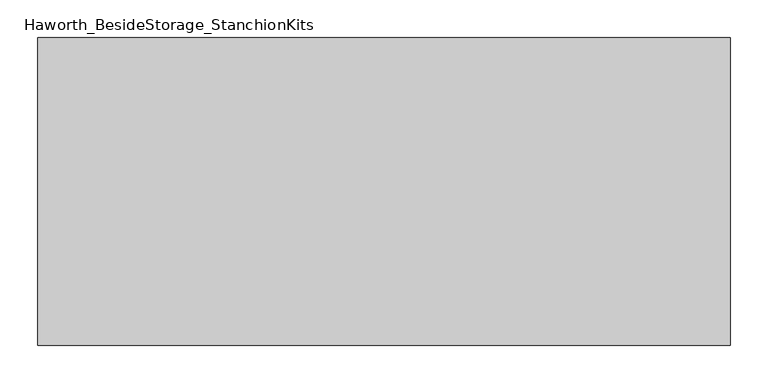
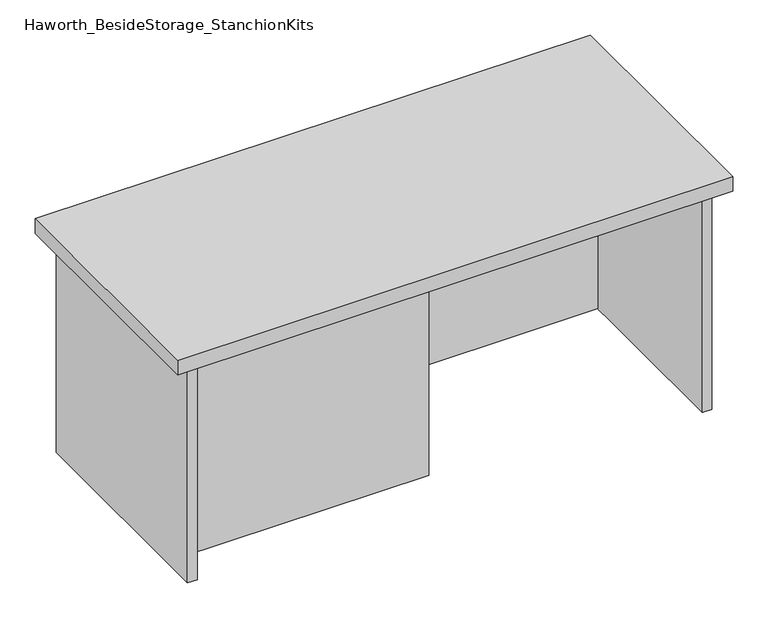
"""IFC4 building model written with IfcOpenShell, lengths in millimetres: furniture geometry, Haworth_BesideStorage_StanchionKits."""

import ifcopenshell
import ifcopenshell.guid

model = None  # the IFC model being written
_history = None  # IfcOwnerHistory: only IFC2X3 demands one
_inside = {}  # id of a spatial element -> (the spatial element, [elements in it])
_under = {}  # id of a project, library or spatial element -> (it, [spatial elements below it])
_declared = {}  # id of a project -> (the project, [libraries it declares])
_typed = {}  # id of a type object -> (the type object, [elements of that type])
_made_of = {}  # id of a material, layer set ... -> (it, [elements and type objects made of it])


def new_model(schema):
    """Start an empty IFC model of exactly this schema.

    Asked for "IFC4X3", IfcOpenShell would pick the latest addendum, in which some entities
    have other attributes; the version numbers below select the first issue.
    IFC2X3 requires an IfcOwnerHistory on every rooted entity: one is made here for all.
    """
    global model, _history
    if schema == "IFC4X3":
        model = ifcopenshell.file(schema_version=(4, 3, 0, 0))
    else:
        model = ifcopenshell.file(schema=schema)
    _inside.clear()
    _under.clear()
    _declared.clear()
    _typed.clear()
    _made_of.clear()
    _history = None
    if model.schema == "IFC2X3":
        org = make("IfcOrganization", Name="unknown")
        user = make(
            "IfcPersonAndOrganization",
            ThePerson=make("IfcPerson", FamilyName="unknown"),
            TheOrganization=org,
        )
        app = make(
            "IfcApplication",
            ApplicationDeveloper=org,
            Version="unknown",
            ApplicationFullName="unknown",
            ApplicationIdentifier="unknown",
        )
        _history = make(
            "IfcOwnerHistory",
            OwningUser=user,
            OwningApplication=app,
            ChangeAction="ADDED",
            CreationDate=0,
        )
    return model


def make(cls, **values):
    """One entity of the class cls with the attributes given. An attribute that is None is left unset."""
    return model.create_entity(
        cls, **{name: value for name, value in values.items() if value is not None}
    )


def rooted(cls, **values):
    """An entity with a GlobalId (a new one), such as an element, a storey or a relation."""
    return make(cls, GlobalId=ifcopenshell.guid.new(), OwnerHistory=_history, **values)


def si_unit(unit_type, name, prefix=None):
    """IfcSIUnit, for example si_unit("LENGTHUNIT", "METRE", prefix="MILLI")."""
    return make("IfcSIUnit", UnitType=unit_type, Prefix=prefix, Name=name)


def assignment(units):
    """IfcUnitAssignment: the units of a project."""
    return None if units is None else make("IfcUnitAssignment", Units=units)


def point(xyz):
    """IfcCartesianPoint."""
    return None if xyz is None else make("IfcCartesianPoint", Coordinates=xyz)


def direction(xyz):
    """IfcDirection."""
    return None if xyz is None else make("IfcDirection", DirectionRatios=xyz)


def frame(location, z_axis=None, x_axis=None):
    """IfcAxis2Placement3D, a coordinate frame: its origin and axes. An axis left out is left unset."""
    return make(
        "IfcAxis2Placement3D",
        Location=point(location),
        Axis=direction(z_axis),
        RefDirection=direction(x_axis),
    )


def origin():
    """The frame at (0, 0, 0) with its axes left unset."""
    return frame((0.0, 0.0, 0.0))


def place(relative_to, where):
    """IfcLocalPlacement: puts the frame where relative to a parent placement (None: the world)."""
    return make(
        "IfcLocalPlacement", PlacementRelTo=relative_to, RelativePlacement=where
    )


def context(
    kind, dimensions, precision=None, world=None, true_north=None, identifier=None
):
    """IfcGeometricRepresentationContext, for example the 3D "Model" context."""
    return make(
        "IfcGeometricRepresentationContext",
        ContextIdentifier=identifier,
        ContextType=kind,
        CoordinateSpaceDimension=dimensions,
        Precision=precision,
        WorldCoordinateSystem=world,
        TrueNorth=true_north,
    )


def project(units=None, contexts=None):
    """IfcProject with its units and contexts."""
    return rooted(
        "IfcProject",
        Name="project",
        RepresentationContexts=contexts,
        UnitsInContext=assignment(units),
    )


def spatial(cls, under=None, at=None, **own):
    """A site, building, storey or space (cls), placed at a placement, below another one or the project."""
    s = rooted(cls, ObjectPlacement=at, **own)
    if under is not None:
        _under.setdefault(under.id(), (under, []))[1].append(s)
    return s


def polyline(points):
    """IfcPolyline through the points."""
    return make("IfcPolyline", Points=[point(p) for p in points])


def outline(outer, holes=None, kind="AREA"):
    """IfcArbitraryClosedProfileDef: a profile drawn as a closed curve; with holes, ...WithVoids."""
    if holes is None:
        return make("IfcArbitraryClosedProfileDef", ProfileType=kind, OuterCurve=outer)
    return make(
        "IfcArbitraryProfileDefWithVoids",
        ProfileType=kind,
        OuterCurve=outer,
        InnerCurves=holes,
    )


def extrude(swept, where, along, depth):
    """IfcExtrudedAreaSolid: the profile swept, set in the frame where, extruded along a direction by depth."""
    return make(
        "IfcExtrudedAreaSolid",
        SweptArea=swept,
        Position=where,
        ExtrudedDirection=direction(along),
        Depth=depth,
    )


def shape(context_of_items, identifier, shape_type, items):
    """IfcShapeRepresentation: the items that make up one representation, for example the "Body"."""
    return make(
        "IfcShapeRepresentation",
        ContextOfItems=context_of_items,
        RepresentationIdentifier=identifier,
        RepresentationType=shape_type,
        Items=items,
    )


def source(mapping_origin, context_of_items, identifier, shape_type, items):
    """IfcRepresentationMap: a shape defined once, which mapped items show again and again."""
    return make(
        "IfcRepresentationMap",
        MappingOrigin=mapping_origin,
        MappedRepresentation=shape(context_of_items, identifier, shape_type, items),
    )


def transform(
    local_origin,
    x_axis=None,
    y_axis=None,
    z_axis=None,
    scale=None,
    scale2=None,
    scale3=None,
    uniform=True,
):
    """IfcCartesianTransformationOperator3D, or its non-uniform kind. x_axis, y_axis, z_axis: its Axis1, 2, 3."""
    if uniform:
        return make(
            "IfcCartesianTransformationOperator3D",
            Axis1=direction(x_axis),
            Axis2=direction(y_axis),
            LocalOrigin=point(local_origin),
            Scale=scale,
            Axis3=direction(z_axis),
        )
    return make(
        "IfcCartesianTransformationOperator3DnonUniform",
        Axis1=direction(x_axis),
        Axis2=direction(y_axis),
        LocalOrigin=point(local_origin),
        Scale=scale,
        Axis3=direction(z_axis),
        Scale2=scale2,
        Scale3=scale3,
    )


def mapped(mapping_source, mapping_target):
    """IfcMappedItem: shows the shape of a source again, moved by a transform."""
    return make(
        "IfcMappedItem", MappingSource=mapping_source, MappingTarget=mapping_target
    )


def made_of(thing, what):
    """Note that an element or type object is made of a material, layer set ...; save() writes the relation."""
    if what is not None:
        _made_of.setdefault(what.id(), (what, []))[1].append(thing)
    return thing


def element(
    cls,
    number,
    at=None,
    inside=None,
    cuts=None,
    type_object=None,
    material=None,
    context=None,
    identifier="Body",
    shape_type=None,
    held_by="IfcProductDefinitionShape",
    body=None,
    shapes=None,
    **own,
):
    """One element of the class cls, such as IfcWall. Its Tag is "e" and its number.

    at: its placement. inside: the storey or other place that contains it. cuts: it is an
    opening in that element (IfcRelVoidsElement). A single representation is given by context,
    identifier, shape_type and body (its items); several are given by shapes. held_by: the class
    of the entity that holds the representations. save() writes the other relations.
    """
    e = rooted(cls, Tag="e%d" % number, ObjectPlacement=at, **own)
    if body is not None:
        shapes = [shape(context, identifier, shape_type, body)]
    if shapes is not None:
        e.Representation = make(held_by, Representations=shapes)
    if inside is not None:
        _inside.setdefault(inside.id(), (inside, []))[1].append(e)
    if cuts is not None:
        rooted(
            "IfcRelVoidsElement", RelatingBuildingElement=cuts, RelatedOpeningElement=e
        )
    if type_object is not None:
        _typed.setdefault(type_object.id(), (type_object, []))[1].append(e)
    return made_of(e, material)


def aggregate(whole, parts):
    """IfcRelAggregates: a whole, such as a stair, and the parts it consists of."""
    return rooted("IfcRelAggregates", RelatingObject=whole, RelatedObjects=parts)


def save(model, path):
    """Write the relations noted so far, then the file.

    IfcRelAggregates (storeys below a building ...), IfcRelContainedInSpatialStructure (elements
    in a storey), IfcRelDefinesByType, IfcRelAssociatesMaterial and IfcRelDeclares: one each for
    every whole, place, type object, material and project.
    """
    for whole, parts in _under.values():
        aggregate(whole, parts)
    for where, things in _inside.values():
        rooted(
            "IfcRelContainedInSpatialStructure",
            RelatedElements=things,
            RelatingStructure=where,
        )
    for kind, things in _typed.values():
        rooted("IfcRelDefinesByType", RelatedObjects=things, RelatingType=kind)
    for what, things in _made_of.values():
        rooted("IfcRelAssociatesMaterial", RelatedObjects=things, RelatingMaterial=what)
    for by, libraries in _declared.values():
        rooted("IfcRelDeclares", RelatingContext=by, RelatedDefinitions=libraries)
    model.write(path)


def haworth_besidestorage_stanchionkits_d2cdbad6(model_context):
    return source(origin(), model_context, "Body", "SweptSolid", [
        extrude(outline(polyline([(619.125, 0.0), (619.125, -406.4), (-295.275, -406.4), (-295.275, 0.0), (619.125, 0.0)])), frame((0.0, 0.0, 812.8), z_axis=(0.0, 0.0, 1.0), x_axis=(1.0, 0.0, 0.0)), (0.0, 0.0, 1.0), 25.4),
        extrude(outline(polyline([(161.925, -76.2), (577.85, -76.2), (577.85, -92.075), (161.925, -92.075), (161.925, -76.2)])), frame((0.0, 0.0, 431.8), z_axis=(0.0, 0.0, 1.0), x_axis=(1.0, 0.0, 0.0)), (0.0, 0.0, 1.0), 381.0),
        extrude(outline(polyline([(161.925, -314.325), (161.925, -330.2), (-254.0, -330.2), (-254.0, -314.325), (161.925, -314.325)])), frame((0.0, 0.0, 431.8), z_axis=(0.0, 0.0, 1.0), x_axis=(1.0, 0.0, 0.0)), (0.0, 0.0, 1.0), 381.0),
        extrude(outline(polyline([(593.725, -390.525), (577.85, -390.525), (577.85, -15.875), (593.725, -15.875), (593.725, -390.525)])), frame((0.0, 0.0, 431.8), z_axis=(0.0, 0.0, 1.0), x_axis=(1.0, 0.0, 0.0)), (0.0, 0.0, 1.0), 381.0),
        extrude(outline(polyline([(-254.0, -390.525), (-269.875, -390.525), (-269.875, -15.875), (-254.0, -15.875), (-254.0, -390.525)])), frame((0.0, 0.0, 431.8), z_axis=(0.0, 0.0, 1.0), x_axis=(1.0, 0.0, 0.0)), (0.0, 0.0, 1.0), 381.0),
    ])


if __name__ == "__main__":
    model = new_model("IFC4")
    model_context = context("Model", 3, world=origin())
    ifc_project = project(units=[si_unit("LENGTHUNIT", "METRE", prefix="MILLI")], contexts=[model_context])
    site = spatial("IfcSite", under=ifc_project)
    building = spatial("IfcBuilding", under=site)
    placement = place(None, origin())
    haworth_besidestorage_stanchionkits_shape = haworth_besidestorage_stanchionkits_d2cdbad6(model_context)
    element("IfcFurniture", 1, ObjectType="Haworth_BesideStorage_StanchionKits", at=placement, inside=building, context=model_context, shape_type="MappedRepresentation", body=[
        mapped(haworth_besidestorage_stanchionkits_shape, transform((0.0, 0.0, 0.0), x_axis=(1.0, 0.0, 0.0), y_axis=(0.0, 1.0, 0.0), z_axis=(0.0, 0.0, 1.0))),
    ])
    save(model, "model.ifc")
